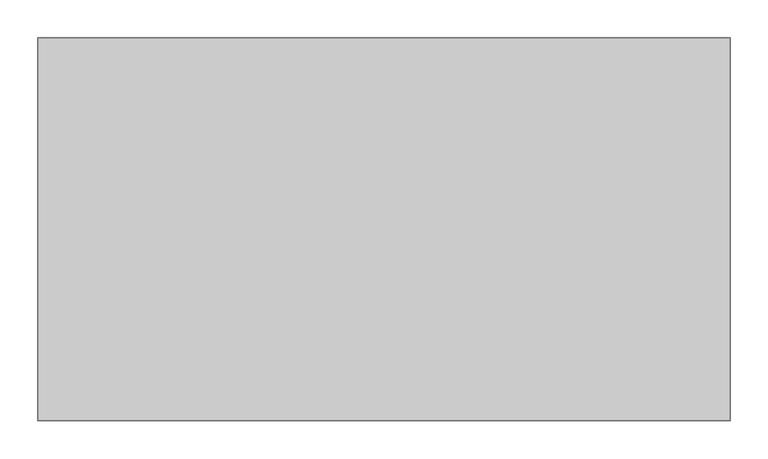
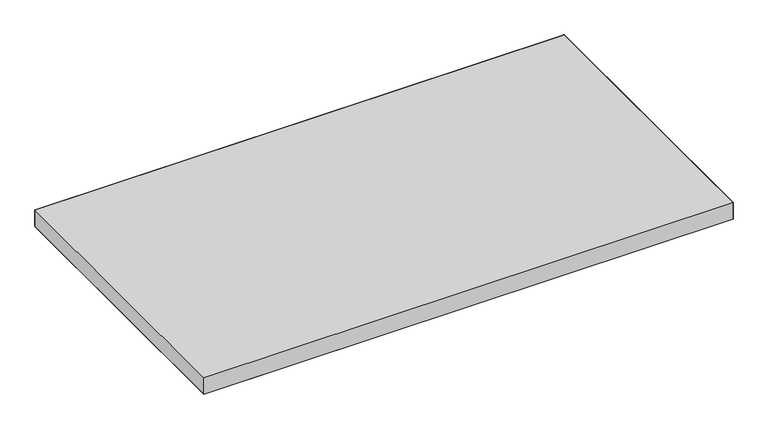
"""IFC4 building model written with IfcOpenShell, lengths in millimetres: furniture geometry."""

from ifc_helpers import new_model, si_unit, origin, place, context, project, spatial, triangles, source, transform, mapped, element, save


def furniture_542eceb7(model_context):
    return source(origin(), model_context, "Body", "Tessellation", [
        triangles([(913.4475145, -1.524, 720.5980213), (913.4475145, -1.5239978, 690.4989864), (0.9525005, -1.5240005, 690.4989864), (0.9525005, -1.524, 720.5980213), (913.4475145, -506.3484899, 720.5980213), (913.4475145, -506.3484899, 690.4989864), (0.9525008, -506.3484899, 690.4989864), (0.9525008, -506.3484899, 720.5980213)], [[1, 2, 3], [1, 3, 4], [5, 6, 2], [5, 2, 1], [4, 3, 7], [4, 7, 8], [8, 7, 6], [8, 6, 5]], closed=False),
        triangles([(913.4475145, -1.5239978, 690.4989864), (913.4475145, -506.3484899, 690.4989864), (0.9525008, -506.3484899, 690.4989864), (0.9525005, -1.5240005, 690.4989864), (0.9525005, -1.524, 720.5980213), (0.9525008, -506.3484899, 720.5980213), (913.4475145, -506.3484899, 720.5980213), (913.4475145, -1.524, 720.5980213)], [[1, 2, 3], [1, 3, 4], [5, 6, 7], [5, 7, 8]], closed=False),
    ])


if __name__ == "__main__":
    model = new_model("IFC4")
    model_context = context("Model", 3, world=origin())
    ifc_project = project(units=[si_unit("LENGTHUNIT", "METRE", prefix="MILLI")], contexts=[model_context])
    site = spatial("IfcSite", under=ifc_project)
    building = spatial("IfcBuilding", under=site)
    placement = place(None, origin())
    furniture_shape = furniture_542eceb7(model_context)
    element("IfcFurniture", 1, at=placement, inside=building, context=model_context, shape_type="MappedRepresentation", body=[
        mapped(furniture_shape, transform((0.0, 0.0, 0.0), x_axis=(1.0, 0.0, 0.0), y_axis=(0.0, 1.0, 0.0), z_axis=(0.0, 0.0, 1.0))),
    ])
    save(model, "model.ifc")
